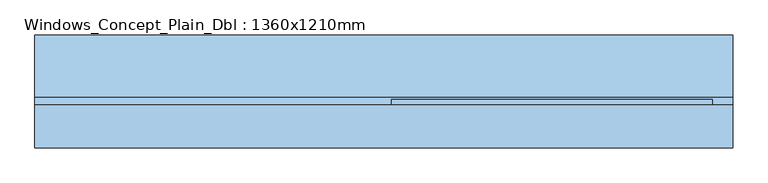
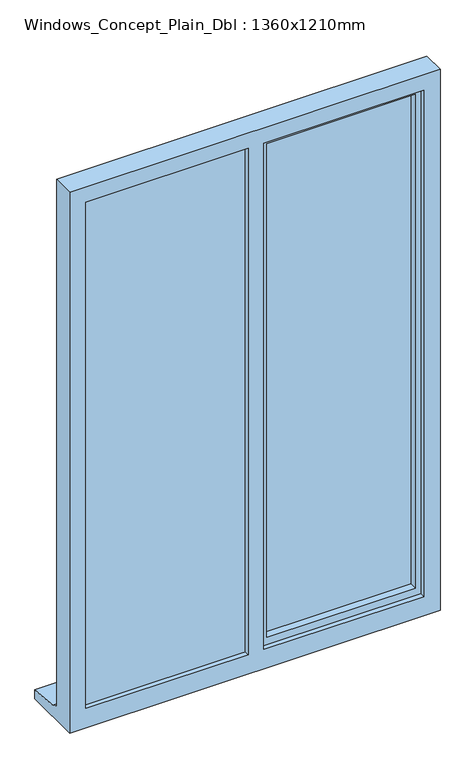
"""IFC4 building model written with IfcOpenShell, lengths in millimetres: window geometry, Windows_Concept_Plain_Dbl : 1360x1210mm."""

import ifcopenshell
import ifcopenshell.guid

model = None  # the IFC model being written
_history = None  # IfcOwnerHistory: only IFC2X3 demands one
_inside = {}  # id of a spatial element -> (the spatial element, [elements in it])
_under = {}  # id of a project, library or spatial element -> (it, [spatial elements below it])
_declared = {}  # id of a project -> (the project, [libraries it declares])
_typed = {}  # id of a type object -> (the type object, [elements of that type])
_made_of = {}  # id of a material, layer set ... -> (it, [elements and type objects made of it])


def new_model(schema):
    """Start an empty IFC model of exactly this schema.

    Asked for "IFC4X3", IfcOpenShell would pick the latest addendum, in which some entities
    have other attributes; the version numbers below select the first issue.
    IFC2X3 requires an IfcOwnerHistory on every rooted entity: one is made here for all.
    """
    global model, _history
    if schema == "IFC4X3":
        model = ifcopenshell.file(schema_version=(4, 3, 0, 0))
    else:
        model = ifcopenshell.file(schema=schema)
    _inside.clear()
    _under.clear()
    _declared.clear()
    _typed.clear()
    _made_of.clear()
    _history = None
    if model.schema == "IFC2X3":
        org = make("IfcOrganization", Name="unknown")
        user = make(
            "IfcPersonAndOrganization",
            ThePerson=make("IfcPerson", FamilyName="unknown"),
            TheOrganization=org,
        )
        app = make(
            "IfcApplication",
            ApplicationDeveloper=org,
            Version="unknown",
            ApplicationFullName="unknown",
            ApplicationIdentifier="unknown",
        )
        _history = make(
            "IfcOwnerHistory",
            OwningUser=user,
            OwningApplication=app,
            ChangeAction="ADDED",
            CreationDate=0,
        )
    return model


def make(cls, **values):
    """One entity of the class cls with the attributes given. An attribute that is None is left unset."""
    return model.create_entity(
        cls, **{name: value for name, value in values.items() if value is not None}
    )


def rooted(cls, **values):
    """An entity with a GlobalId (a new one), such as an element, a storey or a relation."""
    return make(cls, GlobalId=ifcopenshell.guid.new(), OwnerHistory=_history, **values)


def si_unit(unit_type, name, prefix=None):
    """IfcSIUnit, for example si_unit("LENGTHUNIT", "METRE", prefix="MILLI")."""
    return make("IfcSIUnit", UnitType=unit_type, Prefix=prefix, Name=name)


def assignment(units):
    """IfcUnitAssignment: the units of a project."""
    return None if units is None else make("IfcUnitAssignment", Units=units)


def point(xyz):
    """IfcCartesianPoint."""
    return None if xyz is None else make("IfcCartesianPoint", Coordinates=xyz)


def direction(xyz):
    """IfcDirection."""
    return None if xyz is None else make("IfcDirection", DirectionRatios=xyz)


def frame(location, z_axis=None, x_axis=None):
    """IfcAxis2Placement3D, a coordinate frame: its origin and axes. An axis left out is left unset."""
    return make(
        "IfcAxis2Placement3D",
        Location=point(location),
        Axis=direction(z_axis),
        RefDirection=direction(x_axis),
    )


def origin():
    """The frame at (0, 0, 0) with its axes left unset."""
    return frame((0.0, 0.0, 0.0))


def place(relative_to, where):
    """IfcLocalPlacement: puts the frame where relative to a parent placement (None: the world)."""
    return make(
        "IfcLocalPlacement", PlacementRelTo=relative_to, RelativePlacement=where
    )


def context(
    kind, dimensions, precision=None, world=None, true_north=None, identifier=None
):
    """IfcGeometricRepresentationContext, for example the 3D "Model" context."""
    return make(
        "IfcGeometricRepresentationContext",
        ContextIdentifier=identifier,
        ContextType=kind,
        CoordinateSpaceDimension=dimensions,
        Precision=precision,
        WorldCoordinateSystem=world,
        TrueNorth=true_north,
    )


def project(units=None, contexts=None):
    """IfcProject with its units and contexts."""
    return rooted(
        "IfcProject",
        Name="project",
        RepresentationContexts=contexts,
        UnitsInContext=assignment(units),
    )


def spatial(cls, under=None, at=None, **own):
    """A site, building, storey or space (cls), placed at a placement, below another one or the project."""
    s = rooted(cls, ObjectPlacement=at, **own)
    if under is not None:
        _under.setdefault(under.id(), (under, []))[1].append(s)
    return s


def polyline(points):
    """IfcPolyline through the points."""
    return make("IfcPolyline", Points=[point(p) for p in points])


def outline(outer, holes=None, kind="AREA"):
    """IfcArbitraryClosedProfileDef: a profile drawn as a closed curve; with holes, ...WithVoids."""
    if holes is None:
        return make("IfcArbitraryClosedProfileDef", ProfileType=kind, OuterCurve=outer)
    return make(
        "IfcArbitraryProfileDefWithVoids",
        ProfileType=kind,
        OuterCurve=outer,
        InnerCurves=holes,
    )


def extrude(swept, where, along, depth):
    """IfcExtrudedAreaSolid: the profile swept, set in the frame where, extruded along a direction by depth."""
    return make(
        "IfcExtrudedAreaSolid",
        SweptArea=swept,
        Position=where,
        ExtrudedDirection=direction(along),
        Depth=depth,
    )


def faces_of(points, faces, orient=None, outer=None):
    """IfcFace entities. A face is a list of loops; a loop is a list of indices into points, from 0.

    orient and outer hold one flag for each loop. By default every Orientation is true, the
    first loop of a face is its IfcFaceOuterBound and the others are IfcFaceBound.
    """
    made = []
    for i, loops in enumerate(faces):
        bounds = []
        for j, loop in enumerate(loops):
            is_outer = j == 0 if outer is None else outer[i][j]
            bounds.append(
                make(
                    "IfcFaceOuterBound" if is_outer else "IfcFaceBound",
                    Bound=make("IfcPolyLoop", Polygon=[points[k] for k in loop]),
                    Orientation=True if orient is None else orient[i][j],
                )
            )
        made.append(make("IfcFace", Bounds=bounds))
    return made


def faceted_brep(points, faces, orient=None, outer=None, voids=None):
    """IfcFacetedBrep: a solid bounded by flat faces; with voids (closed shells), ...WithVoids."""
    shared = [point(p) for p in points]
    hull = make("IfcClosedShell", CfsFaces=faces_of(shared, faces, orient, outer))
    if voids is None:
        return make("IfcFacetedBrep", Outer=hull)
    return make(
        "IfcFacetedBrepWithVoids",
        Outer=hull,
        Voids=[
            make(cls, CfsFaces=faces_of(shared, fs, o, b)) for cls, fs, o, b in voids
        ],
    )


def shape(context_of_items, identifier, shape_type, items):
    """IfcShapeRepresentation: the items that make up one representation, for example the "Body"."""
    return make(
        "IfcShapeRepresentation",
        ContextOfItems=context_of_items,
        RepresentationIdentifier=identifier,
        RepresentationType=shape_type,
        Items=items,
    )


def source(mapping_origin, context_of_items, identifier, shape_type, items):
    """IfcRepresentationMap: a shape defined once, which mapped items show again and again."""
    return make(
        "IfcRepresentationMap",
        MappingOrigin=mapping_origin,
        MappedRepresentation=shape(context_of_items, identifier, shape_type, items),
    )


def transform(
    local_origin,
    x_axis=None,
    y_axis=None,
    z_axis=None,
    scale=None,
    scale2=None,
    scale3=None,
    uniform=True,
):
    """IfcCartesianTransformationOperator3D, or its non-uniform kind. x_axis, y_axis, z_axis: its Axis1, 2, 3."""
    if uniform:
        return make(
            "IfcCartesianTransformationOperator3D",
            Axis1=direction(x_axis),
            Axis2=direction(y_axis),
            LocalOrigin=point(local_origin),
            Scale=scale,
            Axis3=direction(z_axis),
        )
    return make(
        "IfcCartesianTransformationOperator3DnonUniform",
        Axis1=direction(x_axis),
        Axis2=direction(y_axis),
        LocalOrigin=point(local_origin),
        Scale=scale,
        Axis3=direction(z_axis),
        Scale2=scale2,
        Scale3=scale3,
    )


def mapped(mapping_source, mapping_target):
    """IfcMappedItem: shows the shape of a source again, moved by a transform."""
    return make(
        "IfcMappedItem", MappingSource=mapping_source, MappingTarget=mapping_target
    )


def made_of(thing, what):
    """Note that an element or type object is made of a material, layer set ...; save() writes the relation."""
    if what is not None:
        _made_of.setdefault(what.id(), (what, []))[1].append(thing)
    return thing


def element(
    cls,
    number,
    at=None,
    inside=None,
    cuts=None,
    type_object=None,
    material=None,
    context=None,
    identifier="Body",
    shape_type=None,
    held_by="IfcProductDefinitionShape",
    body=None,
    shapes=None,
    **own,
):
    """One element of the class cls, such as IfcWall. Its Tag is "e" and its number.

    at: its placement. inside: the storey or other place that contains it. cuts: it is an
    opening in that element (IfcRelVoidsElement). A single representation is given by context,
    identifier, shape_type and body (its items); several are given by shapes. held_by: the class
    of the entity that holds the representations. save() writes the other relations.
    """
    e = rooted(cls, Tag="e%d" % number, ObjectPlacement=at, **own)
    if body is not None:
        shapes = [shape(context, identifier, shape_type, body)]
    if shapes is not None:
        e.Representation = make(held_by, Representations=shapes)
    if inside is not None:
        _inside.setdefault(inside.id(), (inside, []))[1].append(e)
    if cuts is not None:
        rooted(
            "IfcRelVoidsElement", RelatingBuildingElement=cuts, RelatedOpeningElement=e
        )
    if type_object is not None:
        _typed.setdefault(type_object.id(), (type_object, []))[1].append(e)
    return made_of(e, material)


def aggregate(whole, parts):
    """IfcRelAggregates: a whole, such as a stair, and the parts it consists of."""
    return rooted("IfcRelAggregates", RelatingObject=whole, RelatedObjects=parts)


def save(model, path):
    """Write the relations noted so far, then the file.

    IfcRelAggregates (storeys below a building ...), IfcRelContainedInSpatialStructure (elements
    in a storey), IfcRelDefinesByType, IfcRelAssociatesMaterial and IfcRelDeclares: one each for
    every whole, place, type object, material and project.
    """
    for whole, parts in _under.values():
        aggregate(whole, parts)
    for where, things in _inside.values():
        rooted(
            "IfcRelContainedInSpatialStructure",
            RelatedElements=things,
            RelatingStructure=where,
        )
    for kind, things in _typed.values():
        rooted("IfcRelDefinesByType", RelatedObjects=things, RelatingType=kind)
    for what, things in _made_of.values():
        rooted("IfcRelAssociatesMaterial", RelatedObjects=things, RelatingMaterial=what)
    for by, libraries in _declared.values():
        rooted("IfcRelDeclares", RelatingContext=by, RelatedDefinitions=libraries)
    model.write(path)


def windows_concept_plain_dbl_1360x1210mm_f025f3c5(model_context):
    return source(origin(), model_context, "Body", "SolidModel", [
        extrude(outline(polyline([(325.0, 22.4565678), (-240.0, 22.4565678), (-240.0, 46.4565678), (325.0, 46.4565678), (325.0, 22.4565678)])), frame((0.0, 0.0, 103.0), z_axis=(0.0, 0.0, 1.0), x_axis=(1.0, 0.0, 0.0)), (0.0, 0.0, 1.0), 1937.0),
        extrude(outline(polyline([(-925.0, 17.4565678), (-300.0, 17.4565678), (-300.0, -6.5434322), (-925.0, -6.5434322), (-925.0, 17.4565678)])), frame((0.0, 0.0, 73.0), z_axis=(0.0, 0.0, 1.0), x_axis=(1.0, 0.0, 0.0)), (0.0, 0.0, 1.0), 1997.0),
        faceted_brep([(395.0, -24.5434322, 2110.0), (-965.0, -24.5434322, 2110.0), (-965.0, -24.5434322, 10.0), (395.0, -24.5434322, 10.0), (335.0, -24.5434322, 2050.0), (335.0, -24.5434322, 85.0), (-252.0, -24.5434322, 85.0), (-252.0, -24.5434322, 2050.0), (-310.0, -24.5434322, 2050.0), (-310.0, -24.5434322, 85.0), (-905.0, -24.5434322, 85.0), (-905.0, -24.5434322, 2050.0), (-965.0, 58.4565678, 2110.0), (-965.0, 58.4565678, 61.0), (-965.0, 73.4565678, 59.68767), (-965.0, 73.4565678, 54.7449676), (-965.0, 195.9565678, 43.8088847), (-965.0, 195.9565678, 10.0), (395.0, 58.4565678, 2110.0), (395.0, 58.4565678, 61.0), (-925.0, 58.4565678, 2070.0), (-925.0, 58.4565678, 73.0), (-310.0, 58.4565678, 73.0), (-310.0, 58.4565678, 2070.0), (-270.0, 58.4565678, 2070.0), (-270.0, 58.4565678, 73.0), (355.0, 58.4565678, 73.0), (355.0, 58.4565678, 2070.0), (-925.0, -6.5434322, 2070.0), (-925.0, -6.5434322, 73.0), (-300.0, -6.5434322, 2070.0), (-300.0, -6.5434322, 73.0), (-310.0, -6.5434322, 2050.0), (-905.0, -6.5434322, 2050.0), (-905.0, -6.5434322, 85.0), (-310.0, -6.5434322, 85.0), (-270.0, -6.5434322, 2070.0), (355.0, -6.5434322, 2070.0), (355.0, -6.5434322, 73.0), (-270.0, -6.5434322, 73.0), (335.0, -6.5434322, 2050.0), (-252.0, -6.5434322, 2050.0), (-252.0, -6.5434322, 85.0), (335.0, -6.5434322, 85.0), (-310.0, 17.4565678, 2070.0), (-300.0, 17.4565678, 2070.0), (395.0, 195.9565678, 10.0), (395.0, 195.9565678, 43.8088847), (395.0, 73.4565678, 54.7449676), (395.0, 73.4565678, 59.68767), (-300.0, 17.4565678, 73.0), (-310.0, 17.4565678, 73.0)], [[[0, 1, 2, 3], [4, 5, 6, 7], [8, 9, 10, 11]], [[2, 1, 12, 13, 14, 15, 16, 17]], [[13, 12, 18, 19], [20, 21, 22, 23], [24, 25, 26, 27]], [[21, 20, 28, 29]], [[28, 30, 31, 29], [32, 33, 34, 35]], [[36, 37, 38, 39], [40, 41, 42, 43]], [[33, 11, 10, 34]], [[1, 0, 18, 12]], [[28, 20, 23, 44, 45, 30]], [[27, 37, 36, 24]], [[11, 33, 32, 8]], [[40, 4, 7, 41]], [[19, 18, 0, 3, 46, 47, 48, 49]], [[27, 26, 38, 37]], [[4, 40, 43, 5]], [[45, 50, 31, 30]], [[50, 45, 44, 51]], [[51, 44, 23, 22]], [[25, 24, 36, 39]], [[41, 7, 6, 42]], [[8, 32, 35, 9]], [[46, 3, 2, 17]], [[47, 46, 17, 16]], [[48, 47, 16, 15]], [[49, 48, 15, 14]], [[19, 49, 14, 13]], [[22, 21, 29, 31, 50, 51]], [[26, 25, 39, 38]], [[6, 5, 43, 42]], [[35, 34, 10, 9]]]),
        extrude(outline(polyline([(2050.0, -310.0), (2070.0, -310.0), (2070.0, -925.0), (73.0, -925.0), (73.0, -310.0), (93.0, -310.0), (93.0, -905.0), (2050.0, -905.0), (2050.0, -310.0)])), frame((0.0, 17.4565678, 0.0), z_axis=(0.0, 1.0, 0.0), x_axis=(0.0, 0.0, 1.0)), (0.0, 0.0, 1.0), 41.0),
        faceted_brep([(-270.0, -6.5434322, 2070.0), (-270.0, 70.0035732, 2070.0), (-270.0, 70.0035732, 73.0), (-270.0, -6.5434322, 73.0), (-230.0, 22.4565678, 2030.0), (-230.0, -6.5434322, 2030.0), (-230.0, -6.5434322, 113.0), (-230.0, 22.4565678, 113.0), (-240.0, 46.4565678, 2040.0), (-240.0, 22.4565678, 2040.0), (-240.0, 22.4565678, 103.0), (-240.0, 46.4565678, 103.0), (-230.0, 70.0035732, 2030.0), (-230.0, 46.4565678, 2030.0), (-230.0, 46.4565678, 113.0), (-230.0, 70.0035732, 113.0), (355.0, 70.0035732, 73.0), (355.0, -6.5434322, 73.0), (315.0, -6.5434322, 113.0), (315.0, 22.4565678, 113.0), (325.0, 22.4565678, 103.0), (325.0, 46.4565678, 103.0), (315.0, 46.4565678, 113.0), (315.0, 70.0035732, 113.0), (355.0, 70.0035732, 2070.0), (355.0, -6.5434322, 2070.0), (315.0, -6.5434322, 2030.0), (315.0, 22.4565678, 2030.0), (325.0, 22.4565678, 2040.0), (325.0, 46.4565678, 2040.0), (315.0, 46.4565678, 2030.0), (315.0, 70.0035732, 2030.0)], [[[0, 1, 2, 3]], [[4, 5, 6, 7]], [[8, 9, 10, 11]], [[12, 13, 14, 15]], [[3, 2, 16, 17]], [[7, 6, 18, 19]], [[11, 10, 20, 21]], [[15, 14, 22, 23]], [[17, 16, 24, 25]], [[19, 18, 26, 27]], [[21, 20, 28, 29]], [[23, 22, 30, 31]], [[1, 24, 16, 2], [15, 23, 31, 12]], [[25, 24, 1, 0]], [[3, 17, 25, 0], [5, 26, 18, 6]], [[27, 26, 5, 4]], [[9, 28, 20, 10], [7, 19, 27, 4]], [[29, 28, 9, 8]], [[11, 21, 29, 8], [13, 30, 22, 14]], [[31, 30, 13, 12]]]),
    ])


if __name__ == "__main__":
    model = new_model("IFC4")
    model_context = context("Model", 3, world=origin())
    ifc_project = project(units=[si_unit("LENGTHUNIT", "METRE", prefix="MILLI")], contexts=[model_context])
    site = spatial("IfcSite", under=ifc_project)
    building = spatial("IfcBuilding", under=site)
    placement = place(None, origin())
    windows_concept_plain_dbl_1360x1210mm_shape = windows_concept_plain_dbl_1360x1210mm_f025f3c5(model_context)
    element("IfcWindow", 1, ObjectType="Windows_Concept_Plain_Dbl : 1360x1210mm", at=placement, inside=building, context=model_context, shape_type="MappedRepresentation", body=[
        mapped(windows_concept_plain_dbl_1360x1210mm_shape, transform((0.0, 0.0, 0.0), x_axis=(1.0, 0.0, 0.0), y_axis=(0.0, 1.0, 0.0), z_axis=(0.0, 0.0, 1.0))),
    ])
    save(model, "model.ifc")
